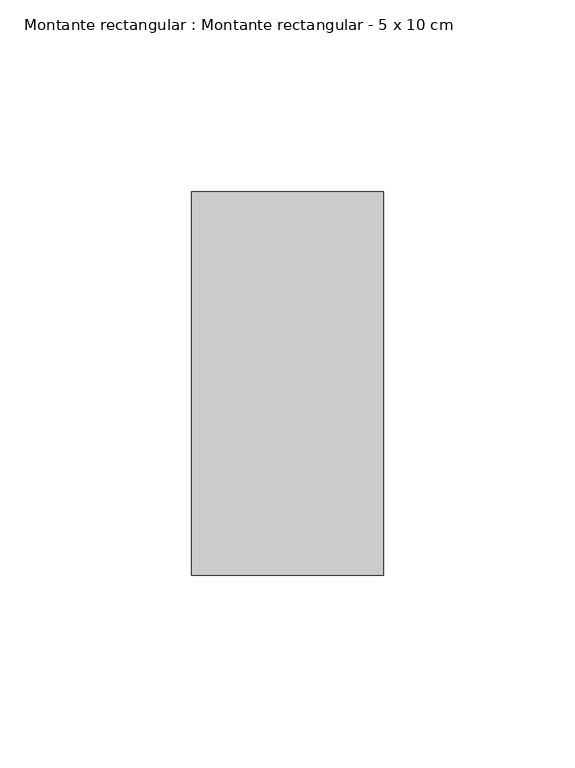
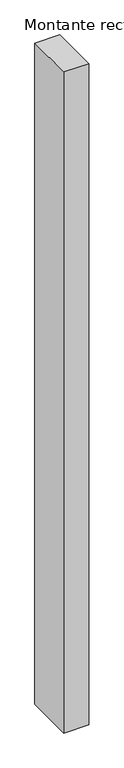
"""IFC4 building model written with IfcOpenShell, lengths in millimetres: member geometry, Montante rectangular : Montante rectangular - 5 x 10 cm."""

import ifcopenshell
import ifcopenshell.guid

model = None  # the IFC model being written
_history = None  # IfcOwnerHistory: only IFC2X3 demands one
_inside = {}  # id of a spatial element -> (the spatial element, [elements in it])
_under = {}  # id of a project, library or spatial element -> (it, [spatial elements below it])
_declared = {}  # id of a project -> (the project, [libraries it declares])
_typed = {}  # id of a type object -> (the type object, [elements of that type])
_made_of = {}  # id of a material, layer set ... -> (it, [elements and type objects made of it])


def new_model(schema):
    """Start an empty IFC model of exactly this schema.

    Asked for "IFC4X3", IfcOpenShell would pick the latest addendum, in which some entities
    have other attributes; the version numbers below select the first issue.
    IFC2X3 requires an IfcOwnerHistory on every rooted entity: one is made here for all.
    """
    global model, _history
    if schema == "IFC4X3":
        model = ifcopenshell.file(schema_version=(4, 3, 0, 0))
    else:
        model = ifcopenshell.file(schema=schema)
    _inside.clear()
    _under.clear()
    _declared.clear()
    _typed.clear()
    _made_of.clear()
    _history = None
    if model.schema == "IFC2X3":
        org = make("IfcOrganization", Name="unknown")
        user = make(
            "IfcPersonAndOrganization",
            ThePerson=make("IfcPerson", FamilyName="unknown"),
            TheOrganization=org,
        )
        app = make(
            "IfcApplication",
            ApplicationDeveloper=org,
            Version="unknown",
            ApplicationFullName="unknown",
            ApplicationIdentifier="unknown",
        )
        _history = make(
            "IfcOwnerHistory",
            OwningUser=user,
            OwningApplication=app,
            ChangeAction="ADDED",
            CreationDate=0,
        )
    return model


def make(cls, **values):
    """One entity of the class cls with the attributes given. An attribute that is None is left unset."""
    return model.create_entity(
        cls, **{name: value for name, value in values.items() if value is not None}
    )


def rooted(cls, **values):
    """An entity with a GlobalId (a new one), such as an element, a storey or a relation."""
    return make(cls, GlobalId=ifcopenshell.guid.new(), OwnerHistory=_history, **values)


def si_unit(unit_type, name, prefix=None):
    """IfcSIUnit, for example si_unit("LENGTHUNIT", "METRE", prefix="MILLI")."""
    return make("IfcSIUnit", UnitType=unit_type, Prefix=prefix, Name=name)


def assignment(units):
    """IfcUnitAssignment: the units of a project."""
    return None if units is None else make("IfcUnitAssignment", Units=units)


def point(xyz):
    """IfcCartesianPoint."""
    return None if xyz is None else make("IfcCartesianPoint", Coordinates=xyz)


def direction(xyz):
    """IfcDirection."""
    return None if xyz is None else make("IfcDirection", DirectionRatios=xyz)


def frame(location, z_axis=None, x_axis=None):
    """IfcAxis2Placement3D, a coordinate frame: its origin and axes. An axis left out is left unset."""
    return make(
        "IfcAxis2Placement3D",
        Location=point(location),
        Axis=direction(z_axis),
        RefDirection=direction(x_axis),
    )


def origin():
    """The frame at (0, 0, 0) with its axes left unset."""
    return frame((0.0, 0.0, 0.0))


def place(relative_to, where):
    """IfcLocalPlacement: puts the frame where relative to a parent placement (None: the world)."""
    return make(
        "IfcLocalPlacement", PlacementRelTo=relative_to, RelativePlacement=where
    )


def context(
    kind, dimensions, precision=None, world=None, true_north=None, identifier=None
):
    """IfcGeometricRepresentationContext, for example the 3D "Model" context."""
    return make(
        "IfcGeometricRepresentationContext",
        ContextIdentifier=identifier,
        ContextType=kind,
        CoordinateSpaceDimension=dimensions,
        Precision=precision,
        WorldCoordinateSystem=world,
        TrueNorth=true_north,
    )


def project(units=None, contexts=None):
    """IfcProject with its units and contexts."""
    return rooted(
        "IfcProject",
        Name="project",
        RepresentationContexts=contexts,
        UnitsInContext=assignment(units),
    )


def spatial(cls, under=None, at=None, **own):
    """A site, building, storey or space (cls), placed at a placement, below another one or the project."""
    s = rooted(cls, ObjectPlacement=at, **own)
    if under is not None:
        _under.setdefault(under.id(), (under, []))[1].append(s)
    return s


def polyline(points):
    """IfcPolyline through the points."""
    return make("IfcPolyline", Points=[point(p) for p in points])


def outline(outer, holes=None, kind="AREA"):
    """IfcArbitraryClosedProfileDef: a profile drawn as a closed curve; with holes, ...WithVoids."""
    if holes is None:
        return make("IfcArbitraryClosedProfileDef", ProfileType=kind, OuterCurve=outer)
    return make(
        "IfcArbitraryProfileDefWithVoids",
        ProfileType=kind,
        OuterCurve=outer,
        InnerCurves=holes,
    )


def extrude(swept, where, along, depth):
    """IfcExtrudedAreaSolid: the profile swept, set in the frame where, extruded along a direction by depth."""
    return make(
        "IfcExtrudedAreaSolid",
        SweptArea=swept,
        Position=where,
        ExtrudedDirection=direction(along),
        Depth=depth,
    )


def shape(context_of_items, identifier, shape_type, items):
    """IfcShapeRepresentation: the items that make up one representation, for example the "Body"."""
    return make(
        "IfcShapeRepresentation",
        ContextOfItems=context_of_items,
        RepresentationIdentifier=identifier,
        RepresentationType=shape_type,
        Items=items,
    )


def source(mapping_origin, context_of_items, identifier, shape_type, items):
    """IfcRepresentationMap: a shape defined once, which mapped items show again and again."""
    return make(
        "IfcRepresentationMap",
        MappingOrigin=mapping_origin,
        MappedRepresentation=shape(context_of_items, identifier, shape_type, items),
    )


def transform(
    local_origin,
    x_axis=None,
    y_axis=None,
    z_axis=None,
    scale=None,
    scale2=None,
    scale3=None,
    uniform=True,
):
    """IfcCartesianTransformationOperator3D, or its non-uniform kind. x_axis, y_axis, z_axis: its Axis1, 2, 3."""
    if uniform:
        return make(
            "IfcCartesianTransformationOperator3D",
            Axis1=direction(x_axis),
            Axis2=direction(y_axis),
            LocalOrigin=point(local_origin),
            Scale=scale,
            Axis3=direction(z_axis),
        )
    return make(
        "IfcCartesianTransformationOperator3DnonUniform",
        Axis1=direction(x_axis),
        Axis2=direction(y_axis),
        LocalOrigin=point(local_origin),
        Scale=scale,
        Axis3=direction(z_axis),
        Scale2=scale2,
        Scale3=scale3,
    )


def mapped(mapping_source, mapping_target):
    """IfcMappedItem: shows the shape of a source again, moved by a transform."""
    return make(
        "IfcMappedItem", MappingSource=mapping_source, MappingTarget=mapping_target
    )


def made_of(thing, what):
    """Note that an element or type object is made of a material, layer set ...; save() writes the relation."""
    if what is not None:
        _made_of.setdefault(what.id(), (what, []))[1].append(thing)
    return thing


def element(
    cls,
    number,
    at=None,
    inside=None,
    cuts=None,
    type_object=None,
    material=None,
    context=None,
    identifier="Body",
    shape_type=None,
    held_by="IfcProductDefinitionShape",
    body=None,
    shapes=None,
    **own,
):
    """One element of the class cls, such as IfcWall. Its Tag is "e" and its number.

    at: its placement. inside: the storey or other place that contains it. cuts: it is an
    opening in that element (IfcRelVoidsElement). A single representation is given by context,
    identifier, shape_type and body (its items); several are given by shapes. held_by: the class
    of the entity that holds the representations. save() writes the other relations.
    """
    e = rooted(cls, Tag="e%d" % number, ObjectPlacement=at, **own)
    if body is not None:
        shapes = [shape(context, identifier, shape_type, body)]
    if shapes is not None:
        e.Representation = make(held_by, Representations=shapes)
    if inside is not None:
        _inside.setdefault(inside.id(), (inside, []))[1].append(e)
    if cuts is not None:
        rooted(
            "IfcRelVoidsElement", RelatingBuildingElement=cuts, RelatedOpeningElement=e
        )
    if type_object is not None:
        _typed.setdefault(type_object.id(), (type_object, []))[1].append(e)
    return made_of(e, material)


def aggregate(whole, parts):
    """IfcRelAggregates: a whole, such as a stair, and the parts it consists of."""
    return rooted("IfcRelAggregates", RelatingObject=whole, RelatedObjects=parts)


def save(model, path):
    """Write the relations noted so far, then the file.

    IfcRelAggregates (storeys below a building ...), IfcRelContainedInSpatialStructure (elements
    in a storey), IfcRelDefinesByType, IfcRelAssociatesMaterial and IfcRelDeclares: one each for
    every whole, place, type object, material and project.
    """
    for whole, parts in _under.values():
        aggregate(whole, parts)
    for where, things in _inside.values():
        rooted(
            "IfcRelContainedInSpatialStructure",
            RelatedElements=things,
            RelatingStructure=where,
        )
    for kind, things in _typed.values():
        rooted("IfcRelDefinesByType", RelatedObjects=things, RelatingType=kind)
    for what, things in _made_of.values():
        rooted("IfcRelAssociatesMaterial", RelatedObjects=things, RelatingMaterial=what)
    for by, libraries in _declared.values():
        rooted("IfcRelDeclares", RelatingContext=by, RelatedDefinitions=libraries)
    model.write(path)


def montante_rectangular_montante_rectangular_5_x_10_cm_4e1155aa(model_context):
    return source(origin(), model_context, "Body", "SweptSolid", [
        extrude(outline(polyline([(0.0, -50.0), (-50.0, -50.0), (-50.0, 50.0), (0.0, 50.0), (0.0, -50.0)])), frame((0.0, 0.0, -1400.0), z_axis=(0.0, 0.0, 1.0), x_axis=(1.0, 0.0, 0.0)), (0.0, 0.0, 1.0), 1400.0),
    ])


if __name__ == "__main__":
    model = new_model("IFC4")
    model_context = context("Model", 3, world=origin())
    ifc_project = project(units=[si_unit("LENGTHUNIT", "METRE", prefix="MILLI")], contexts=[model_context])
    site = spatial("IfcSite", under=ifc_project)
    building = spatial("IfcBuilding", under=site)
    placement = place(None, origin())
    montante_rectangular_montante_rectangular_5_x_10_cm_shape = montante_rectangular_montante_rectangular_5_x_10_cm_4e1155aa(model_context)
    element("IfcMember", 1, ObjectType="Montante rectangular : Montante rectangular - 5 x 10 cm", at=placement, inside=building, context=model_context, shape_type="MappedRepresentation", body=[
        mapped(montante_rectangular_montante_rectangular_5_x_10_cm_shape, transform((0.0, 0.0, 0.0), x_axis=(1.0, 0.0, 0.0), y_axis=(0.0, 1.0, 0.0), z_axis=(0.0, 0.0, 1.0))),
    ])
    save(model, "model.ifc")
